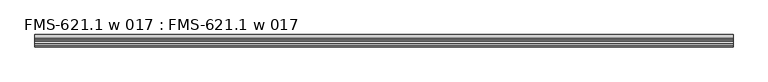
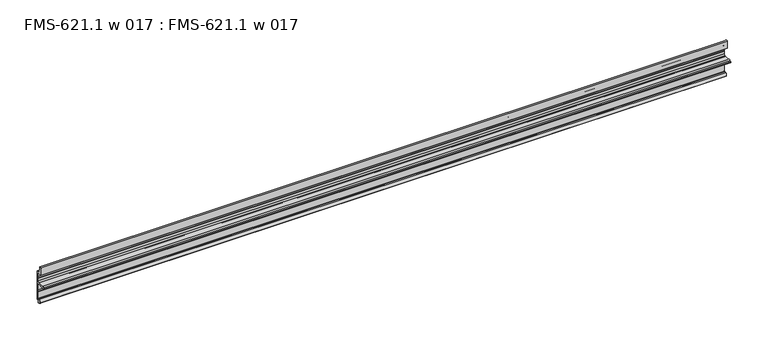
"""IFC4 building model written with IfcOpenShell, lengths in millimetres: proxy geometry, FMS-621.1 w 017 : FMS-621.1 w 017."""

from ifc_helpers import new_model, si_unit, point, frame, frame_2d, origin, place, context, project, spatial, polyline, circle_curve, trimmed, segment, composite_curve, outline, extrude, source, transform, mapped, element, save


def fms_621_1_w_017_fms_621_1_w_017_b71b91d8(model_context):
    return source(origin(), model_context, "Body", "SweptSolid", [
        extrude(outline(composite_curve([segment(polyline([(0.0, 3.5976257), (-1.3075622, 3.5976257)]), True, "CONTINUOUS"), segment(trimmed(circle_curve(frame_2d((-1.3075622, 2.0101257)), 1.5875), [point((-1.3075622, 3.5976257))], [point((-2.8950622, 2.0101257))], True, "CARTESIAN"), True, "CONTINUOUS"), segment(polyline([(-2.8950622, 2.0101257), (-2.8950622, 0.5821892)]), True, "CONTINUOUS"), segment(trimmed(circle_curve(frame_2d((-3.2390394, 0.3648147)), 0.4069054), [point((-2.8950622, 0.5821892))], [point((-3.4192677, 0.0))], False, "CARTESIAN"), True, "CONTINUOUS"), segment(polyline([(-3.4192677, 0.0), (-5.4099313, 0.6213088)]), True, "CONTINUOUS"), segment(trimmed(circle_curve(frame_2d((-4.5018192, 3.5308855)), 3.048), [point((-5.4099313, 0.6213088))], [point((-7.1037699, 1.9433855))], False, "CARTESIAN"), True, "CONTINUOUS"), segment(trimmed(circle_curve(frame_2d((-4.5018192, 3.5308855)), 3.048), [point((-7.1037699, 1.9433855))], [point((-5.4099313, 6.4404622))], False, "CARTESIAN"), True, "CONTINUOUS"), segment(polyline([(-5.4099313, 6.4404622), (-3.594244, 7.0071589)]), True, "CONTINUOUS"), segment(trimmed(circle_curve(frame_2d((-3.2930749, 6.7333166)), 0.4070533), [point((-3.594244, 7.0071589))], [point((-2.8945091, 6.6506262))], False, "CARTESIAN"), True, "CONTINUOUS"), segment(polyline([(-2.8945091, 6.6506262), (-2.8345669, 5.8400772)]), True, "CONTINUOUS"), segment(trimmed(circle_curve(frame_2d((-2.2172671, 6.0403604)), 0.6489779), [point((-2.8345669, 5.8400772))], [point((-1.5875, 5.8836257))], True, "CARTESIAN"), True, "CONTINUOUS"), segment(polyline([(-1.5875, 5.8836257), (-1.5875, 17.0712378), (-1.0783361, 17.6781651), (-1.0783361, 19.6174727), (-1.5875, 20.2462378), (-1.5875, 28.7874992)]), True, "CONTINUOUS"), segment(trimmed(circle_curve(frame_2d((-3.6195, 28.7874992)), 2.032), [point((-1.5875, 28.7874992))], [point((-3.6195, 30.8194992))], True, "CARTESIAN"), True, "CONTINUOUS"), segment(polyline([(-3.6195, 30.8194992), (-13.9023465, 30.8194992)]), True, "CONTINUOUS"), segment(trimmed(circle_curve(frame_2d((-15.4225031, 31.2406846)), 1.5774262), [point((-13.9023465, 30.8194992))], [point((-16.9973031, 31.1496992))], False, "CARTESIAN"), True, "CONTINUOUS"), segment(polyline([(-16.9973031, 31.1496992), (-19.1515193, 31.1496992), (-19.1515193, 32.7371992), (-16.9973031, 32.7371992)]), True, "CONTINUOUS"), segment(trimmed(circle_curve(frame_2d((-15.4225031, 32.6462138)), 1.5774262), [point((-16.9973031, 32.7371992))], [point((-13.9023465, 33.0673992))], False, "CARTESIAN"), True, "CONTINUOUS"), segment(polyline([(-13.9023465, 33.0673992), (-3.6195, 33.0673992)]), True, "CONTINUOUS"), segment(trimmed(circle_curve(frame_2d((-3.6195, 35.0993992)), 2.032), [point((-3.6195, 33.0673992))], [point((-1.5875, 35.0993992))], True, "CARTESIAN"), True, "CONTINUOUS"), segment(polyline([(-1.5875, 35.0993992), (-1.5875, 39.0871991), (-1.0783361, 39.7141868), (-1.0783361, 41.6554013), (-1.5875, 42.2621991), (-1.5875, 47.8171791)]), True, "CONTINUOUS"), segment(trimmed(circle_curve(frame_2d((-2.38252, 47.8171791)), 0.79502), [point((-1.5875, 47.8171791))], [point((-2.38252, 48.6121991))], True, "CARTESIAN"), True, "CONTINUOUS"), segment(polyline([(-2.38252, 48.6121991), (-9.525, 48.6121991), (-9.525, 60.7630861)]), True, "CONTINUOUS"), segment(trimmed(circle_curve(frame_2d((-8.3643154, 59.5243243)), 1.6975628), [point((-9.525, 60.7630861))], [point((-7.2036308, 60.7630861))], False, "CARTESIAN"), True, "CONTINUOUS"), segment(polyline([(-7.2036308, 60.7630861), (-5.392657, 50.1869991), (0.0, 50.1869991), (0.0, 3.5976257)]), True, "CONTINUOUS")], self_intersect=False)), frame((0.0, 0.0, 0.0), z_axis=(1.0, 0.0, 0.0), x_axis=(0.0, 1.0, 0.0)), (0.0, 0.0, 1.0), 1063.625),
    ])


if __name__ == "__main__":
    model = new_model("IFC4")
    model_context = context("Model", 3, world=origin())
    ifc_project = project(units=[si_unit("LENGTHUNIT", "METRE", prefix="MILLI")], contexts=[model_context])
    site = spatial("IfcSite", under=ifc_project)
    building = spatial("IfcBuilding", under=site)
    placement = place(None, origin())
    fms_621_1_w_017_fms_621_1_w_017_shape = fms_621_1_w_017_fms_621_1_w_017_b71b91d8(model_context)
    element("IfcBuildingElementProxy", 1, Name="FMS-621.1 w 017 : FMS-621.1 w 017", ObjectType="FMS-621.1 w 017 : FMS-621.1 w 017", at=placement, inside=building, context=model_context, shape_type="MappedRepresentation", body=[
        mapped(fms_621_1_w_017_fms_621_1_w_017_shape, transform((0.0, 0.0, 0.0), x_axis=(1.0, 0.0, 0.0), y_axis=(0.0, 1.0, 0.0), z_axis=(0.0, 0.0, 1.0))),
    ])
    save(model, "model.ifc")
